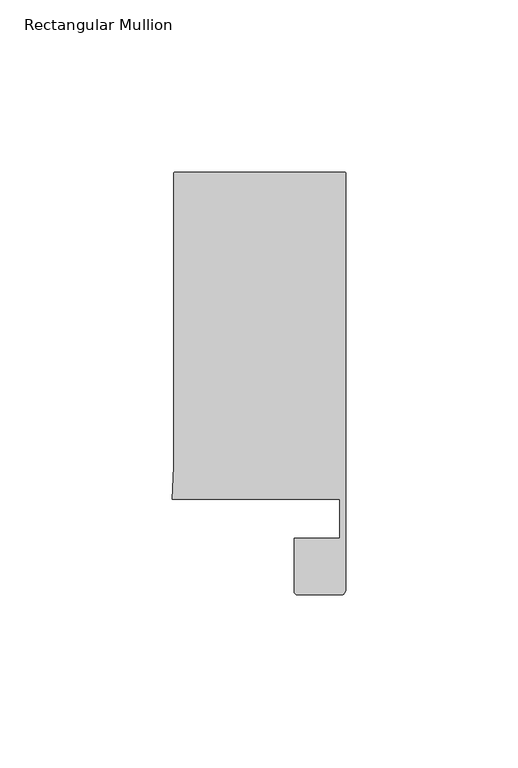
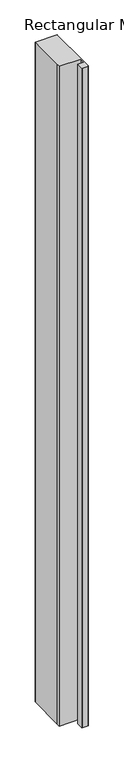
"""IFC4 building model written with IfcOpenShell, lengths in millimetres: member geometry, Rectangular Mullion."""

from ifc_helpers import new_model, si_unit, frame, origin, place, context, project, spatial, circle_curve, source, transform, mapped, element, save
from ifc_brep_helpers import plane_surface, cylinder_surface, advanced_brep


def rectangular_mullion_0e61cf46(model_context):
    return source(origin(), model_context, "Body", "AdvancedBrep", [
        advanced_brep(
        [(-49.5, 108.995417, 0.0), (-50.0, 108.495417, 0.0), (-50.0, 23.4856858, 0.0), (-50.4480459, 14.0, 0.0), (-1.8, 14.0, 0.0), (-1.8, 2.6022043, 0.0), (-15.0, 2.6022043, 0.0), (-15.0, -12.8070793, 0.0), (-13.9997566, -13.8070793, 0.0), (-1.5, -13.8070793, 0.0), (0.0, -12.3070793, 0.0), (0.0, 14.0, 0.0), (0.0, 108.495417, 0.0), (-0.5, 108.995417, 0.0), (-49.5, 108.995417, -1573.4761827), (-0.5, 108.995417, -1573.4761827), (0.0, 108.495417, -1573.4761827), (0.0, 14.0, -1573.4761827), (0.0, -12.3070793, -1573.4761827), (-1.5, -13.8070793, -1573.4761827), (-13.9997566, -13.8070793, -1573.4761827), (-14.9997566, -12.8070793, -1573.4761827), (-15.0, 2.6022043, -1573.4761827), (-1.8, 2.6022043, -1573.4761827), (-1.8, 14.0, -1573.4761827), (-50.4480459, 14.0, -1573.4761827), (-50.0, 23.4856858, -1573.4761827), (-50.0, 108.495417, -1573.4761827)],
        [
            (0, 1, circle_curve(frame((-49.5, 108.495417, 0.0), z_axis=(0.0, 0.0, 1.0), x_axis=(1.0, 0.0, 0.0)), 0.5)),
            (1, 2),
            (2, 3),
            (3, 4),
            (4, 5),
            (5, 6),
            (6, 7),
            (7, 8, circle_curve(frame((-13.9997566, -12.8070793, 0.0), z_axis=(0.0, 0.0, 1.0), x_axis=(1.0, 0.0, 0.0)), 1.0)),
            (8, 9),
            (9, 10, circle_curve(frame((-1.5, -12.3070793, 0.0), z_axis=(0.0, 0.0, 1.0), x_axis=(1.0, 0.0, 0.0)), 1.5)),
            (10, 11),
            (11, 12),
            (12, 13, circle_curve(frame((-0.5, 108.495417, 0.0), z_axis=(0.0, 0.0, 1.0), x_axis=(1.0, 0.0, 0.0)), 0.5)),
            (13, 0),
            (14, 15),
            (15, 16, circle_curve(frame((-0.5, 108.495417, -1573.4761827), z_axis=(0.0, 0.0, -1.0), x_axis=(1.0, 0.0, 0.0)), 0.5)),
            (16, 17),
            (17, 18),
            (18, 19, circle_curve(frame((-1.5, -12.3070793, -1573.4761827), z_axis=(0.0, 0.0, -1.0), x_axis=(1.0, 0.0, 0.0)), 1.5)),
            (19, 20),
            (20, 21, circle_curve(frame((-13.9997566, -12.8070793, -1573.4761827), z_axis=(0.0, 0.0, -1.0), x_axis=(1.0, 0.0, 0.0)), 1.0)),
            (21, 22),
            (22, 23),
            (23, 24),
            (24, 25),
            (25, 26),
            (26, 27),
            (27, 14, circle_curve(frame((-49.5, 108.495417, -1573.4761827), z_axis=(0.0, 0.0, -1.0), x_axis=(1.0, 0.0, 0.0)), 0.5)),
            (0, 14),
            (27, 1),
            (26, 2),
            (25, 3),
            (24, 4),
            (23, 5),
            (22, 6),
            (21, 7),
            (20, 8),
            (19, 9),
            (18, 10),
            (17, 11),
            (16, 12),
            (15, 13),
        ],
        [
            plane_surface(frame((0.0, -119.7224922, 0.0), z_axis=(0.0, 0.0, 1.0), x_axis=(-1.0, 0.0, 0.0))),
            plane_surface(frame((0.0, -119.7224922, -1573.4761827), z_axis=(0.0, 0.0, -1.0), x_axis=(-1.0, 0.0, 0.0))),
            cylinder_surface(frame((-49.5, 108.495417, 0.0), z_axis=(0.0, 0.0, 1.0), x_axis=(1.0, 0.0, 0.0)), 0.5),
            plane_surface(frame((-50.0, 108.495417, 0.0), z_axis=(-1.0, 0.0, 0.0), x_axis=(0.0, 0.0, -1.0))),
            plane_surface(frame((-50.0, 23.4856858, 0.0), z_axis=(-0.9988863426396719, 0.047181293834952384, 0.0), x_axis=(0.0, 0.0, -1.0))),
            plane_surface(frame((-50.4480459, 14.0, 0.0), z_axis=(0.0, -1.0, 0.0), x_axis=(0.0, 0.0, -1.0))),
            plane_surface(frame((-1.8, 14.0, 0.0), z_axis=(-1.0, 0.0, 0.0), x_axis=(0.0, 0.0, -1.0))),
            plane_surface(frame((-1.8, 2.6022043, 0.0), z_axis=(0.0, 1.0, 0.0), x_axis=(0.0, 0.0, -1.0))),
            plane_surface(frame((-15.0, 2.6022043, 0.0), z_axis=(-1.0, 0.0, 0.0), x_axis=(0.0, 0.0, -1.0))),
            cylinder_surface(frame((-13.9997566, -12.8070793, 0.0), z_axis=(0.0, 0.0, 1.0), x_axis=(1.0, 0.0, 0.0)), 1.0),
            plane_surface(frame((-13.9997566, -13.8070793, 0.0), z_axis=(0.0, -1.0, 0.0), x_axis=(0.0, 0.0, -1.0))),
            cylinder_surface(frame((-1.5, -12.3070793, 0.0), z_axis=(0.0, 0.0, 1.0), x_axis=(1.0, 0.0, 0.0)), 1.5),
            plane_surface(frame((0.0, -12.3070793, 0.0), z_axis=(1.0, 0.0, 0.0), x_axis=(0.0, 0.0, -1.0))),
            plane_surface(frame((0.0, 14.0, 0.0), z_axis=(1.0, 0.0, 0.0), x_axis=(0.0, 0.0, -1.0))),
            cylinder_surface(frame((-0.5, 108.495417, 0.0), z_axis=(0.0, 0.0, 1.0), x_axis=(1.0, 0.0, 0.0)), 0.5),
            plane_surface(frame((-0.5, 108.995417, 0.0), z_axis=(0.0, 1.0, 0.0), x_axis=(0.0, 0.0, -1.0))),
        ],
        [
            (0, [[1, 2, 3, 4, 5, 6, 7, 8, 9, 10, 11, 12, 13, 14]]),
            (1, [[15, 16, 17, 18, 19, 20, 21, 22, 23, 24, 25, 26, 27, 28]]),
            (2, [[-1, 29, -28, 30]]),
            (3, [[-2, -30, -27, 31]]),
            (4, [[-3, -31, -26, 32]]),
            (5, [[-4, -32, -25, 33]]),
            (6, [[-5, -33, -24, 34]]),
            (7, [[-6, -34, -23, 35]]),
            (8, [[-7, -35, -22, 36]]),
            (9, [[-8, -36, -21, 37]]),
            (10, [[-9, -37, -20, 38]]),
            (11, [[-10, -38, -19, 39]]),
            (12, [[-11, -39, -18, 40]]),
            (13, [[-12, -40, -17, 41]]),
            (14, [[-13, -41, -16, 42]]),
            (15, [[-14, -42, -15, -29]]),
        ],
    ),
    ])


if __name__ == "__main__":
    model = new_model("IFC4")
    model_context = context("Model", 3, world=origin())
    ifc_project = project(units=[si_unit("LENGTHUNIT", "METRE", prefix="MILLI")], contexts=[model_context])
    site = spatial("IfcSite", under=ifc_project)
    building = spatial("IfcBuilding", under=site)
    placement = place(None, origin())
    rectangular_mullion_shape = rectangular_mullion_0e61cf46(model_context)
    element("IfcMember", 1, ObjectType="Rectangular Mullion", at=placement, inside=building, context=model_context, shape_type="MappedRepresentation", body=[
        mapped(rectangular_mullion_shape, transform((0.0, 0.0, 0.0), x_axis=(1.0, 0.0, 0.0), y_axis=(0.0, 1.0, 0.0), z_axis=(0.0, 0.0, 1.0))),
    ])
    save(model, "model.ifc")
